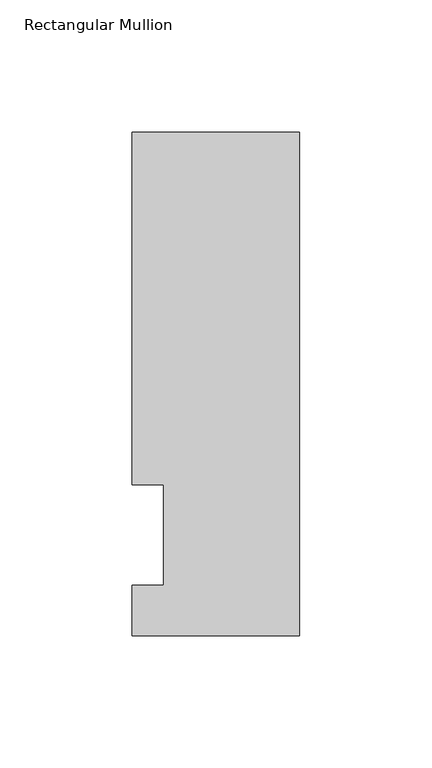
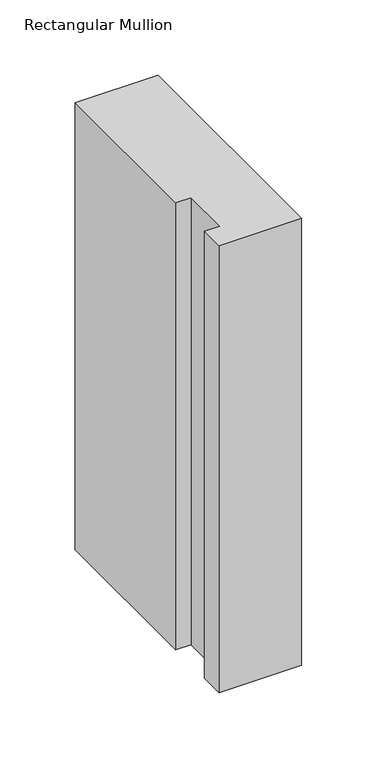
"""IFC4 building model written with IfcOpenShell, lengths in millimetres: member geometry, Rectangular Mullion."""

from ifc_helpers import new_model, si_unit, frame, origin, place, context, project, spatial, polyline, outline, extrude, source, transform, mapped, element, save


def rectangular_mullion_fa110065(model_context):
    return source(origin(), model_context, "Body", "SweptSolid", [
        extrude(outline(polyline([(-63.5, 152.4), (0.0, 152.4), (0.0, -38.1), (-63.5, -38.1), (-63.5, -19.0504842), (-51.5874, -19.0504842), (-51.5874, 19.0495158), (-63.5, 19.0495158), (-63.5, 152.4)])), frame((0.0, 0.0, -361.9495158), z_axis=(0.0, 0.0, 1.0), x_axis=(1.0, 0.0, 0.0)), (0.0, 0.0, 1.0), 361.9495158),
    ])


if __name__ == "__main__":
    model = new_model("IFC4")
    model_context = context("Model", 3, world=origin())
    ifc_project = project(units=[si_unit("LENGTHUNIT", "METRE", prefix="MILLI")], contexts=[model_context])
    site = spatial("IfcSite", under=ifc_project)
    building = spatial("IfcBuilding", under=site)
    placement = place(None, origin())
    rectangular_mullion_shape = rectangular_mullion_fa110065(model_context)
    element("IfcMember", 1, ObjectType="Rectangular Mullion", at=placement, inside=building, context=model_context, shape_type="MappedRepresentation", body=[
        mapped(rectangular_mullion_shape, transform((0.0, 0.0, 0.0), x_axis=(1.0, 0.0, 0.0), y_axis=(0.0, 1.0, 0.0), z_axis=(0.0, 0.0, 1.0))),
    ])
    save(model, "model.ifc")
